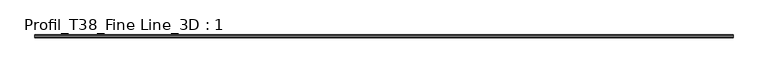
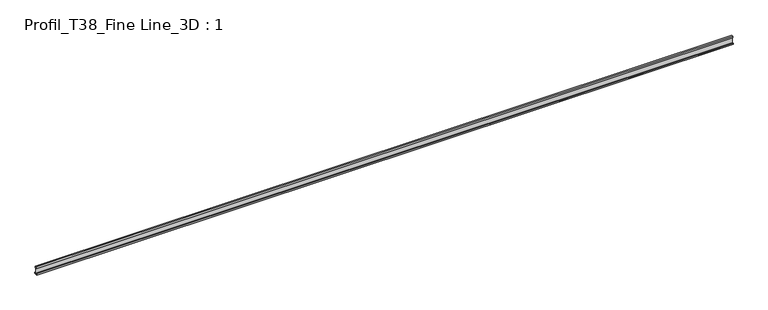
"""IFC4 building model written with IfcOpenShell, lengths in millimetres: proxy geometry, Profil_T38_Fine Line_3D : 1."""

from ifc_helpers import new_model, si_unit, frame, origin, place, context, project, spatial, polyline, outline, extrude, source, transform, mapped, element, save


def profil_t38_fine_line_3d_1_c465e073(model_context):
    return source(origin(), model_context, "Body", "SweptSolid", [
        extrude(outline(polyline([(6.5, 0.0), (-6.5, 0.0), (-6.5, -4.3), (-3.75, -4.3), (-3.75, -5.3), (-7.5, -5.3), (-7.5, 1.0), (-0.6, 1.0), (-0.6, 28.4), (-3.0, 28.4), (-3.0, 38.4), (3.0, 38.4), (3.0, 28.4), (0.6, 28.4), (0.6, 1.0), (7.5, 1.0), (7.5, -5.3), (3.75, -5.3), (3.75, -4.3), (6.5, -4.3), (6.5, 0.0)])), frame((0.0, 0.0, 0.0), z_axis=(1.0, 0.0, 0.0), x_axis=(0.0, 1.0, 0.0)), (0.0, 0.0, 1.0), 3660.0),
    ])


if __name__ == "__main__":
    model = new_model("IFC4")
    model_context = context("Model", 3, world=origin())
    ifc_project = project(units=[si_unit("LENGTHUNIT", "METRE", prefix="MILLI")], contexts=[model_context])
    site = spatial("IfcSite", under=ifc_project)
    building = spatial("IfcBuilding", under=site)
    placement = place(None, origin())
    profil_t38_fine_line_3d_1_shape = profil_t38_fine_line_3d_1_c465e073(model_context)
    element("IfcBuildingElementProxy", 1, Name="Profil_T38_Fine Line_3D : 1", ObjectType="Profil_T38_Fine Line_3D : 1", at=placement, inside=building, context=model_context, shape_type="MappedRepresentation", body=[
        mapped(profil_t38_fine_line_3d_1_shape, transform((0.0, 0.0, 0.0), x_axis=(1.0, 0.0, 0.0), y_axis=(0.0, 1.0, 0.0), z_axis=(0.0, 0.0, 1.0))),
    ])
    save(model, "model.ifc")
